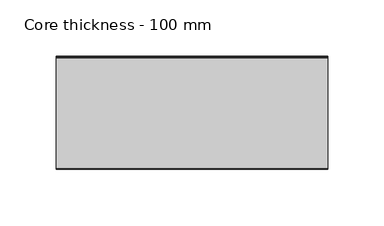
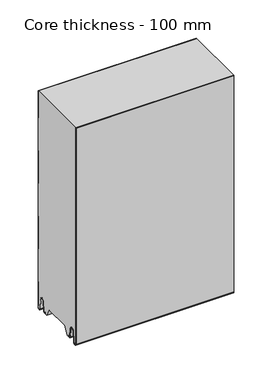
"""IFC4 building model written with IfcOpenShell, lengths in millimetres: plate geometry, Core thickness - 100 mm."""

from ifc_helpers import new_model, si_unit, frame, origin, place, context, project, spatial, polyline, circle_curve, source, transform, mapped, element, save
from ifc_brep_helpers import plane_surface, cylinder_surface, revolved_surface, advanced_brep


def core_thickness_100_mm_d643c151(model_context):
    return source(origin(), model_context, "Body", "AdvancedBrep", [
        advanced_brep(
        [(119.9999998, -99.9996949, 3.0900682), (119.9999998, -93.81449, 2.7875612), (119.9999998, -92.197116, 19.2828169), (119.9999998, -89.1776715, 21.9898782), (119.9999998, -86.1582271, 19.2828169), (119.9999998, -84.7725998, 5.1510966), (119.9999998, -80.3830995, 5.365779), (119.9999998, -81.1830995, 5.365779), (119.9999998, -83.9764178, 5.2291629), (119.9999998, -85.3620451, 19.3608832), (119.9999998, -89.1776715, 22.7899182), (119.9999998, -92.9932979, 19.3608832), (119.9999998, -94.6106719, 2.8656275), (119.9999998, -99.1996949, 3.0900682), (119.9999998, -99.2, 350.0), (119.9999998, -99.9996949, 350.0), (-119.9999998, -99.1996949, 3.0900682), (-119.9999998, -94.6106719, 2.8656275), (-119.9999998, -92.9932979, 19.3608832), (-119.9999998, -89.1776715, 22.7899182), (-119.9999998, -85.3620451, 19.3608832), (-119.9999998, -83.9764178, 5.2291629), (-119.9999998, -81.1830995, 5.365779), (-119.9999998, -80.3830995, 5.365779), (-119.9999998, -84.7725998, 5.1510966), (-119.9999998, -86.1582271, 19.2828169), (-119.9999998, -89.1776715, 21.9898782), (-119.9999998, -92.197116, 19.2828169), (-119.9999998, -93.81449, 2.7875612), (-119.9999998, -99.9996949, 3.0900682), (-119.9999998, -99.9996949, 350.0), (-119.9999998, -99.2, 350.0)],
        [
            (0, 1, circle_curve(frame((119.9999998, -96.8996949, 3.0900682), z_axis=(1.0, 0.0, 0.0), x_axis=(0.0, 0.0, -1.0)), 3.1)),
            (1, 2),
            (2, 3, circle_curve(frame((119.9999998, -89.2114338, 18.9900682), z_axis=(-1.0, 0.0, 0.0), x_axis=(0.0, 0.0, -1.0)), 3.0)),
            (3, 4, circle_curve(frame((119.9999998, -89.1439093, 18.9900682), z_axis=(-1.0, 0.0, 0.0), x_axis=(0.0, 0.0, -1.0)), 3.0)),
            (4, 5),
            (5, 6, circle_curve(frame((119.9999998, -82.5830995, 5.365779), z_axis=(1.0, 0.0, 0.0), x_axis=(0.0, 0.0, -1.0)), 2.2)),
            (6, 7),
            (7, 8, circle_curve(frame((119.9999998, -82.5830995, 5.365779), z_axis=(-1.0, 0.0, 0.0), x_axis=(0.0, 0.0, -1.0)), 1.4)),
            (8, 9),
            (9, 10, circle_curve(frame((119.9999998, -89.1439093, 18.9900682), z_axis=(1.0, 0.0, 0.0), x_axis=(0.0, 0.0, -1.0)), 3.8)),
            (10, 11, circle_curve(frame((119.9999998, -89.2114338, 18.9900682), z_axis=(1.0, 0.0, 0.0), x_axis=(0.0, 0.0, -1.0)), 3.8)),
            (11, 12),
            (12, 13, circle_curve(frame((119.9999998, -96.8996949, 3.0900682), z_axis=(-1.0, 0.0, 0.0), x_axis=(0.0, 0.0, -1.0)), 2.3)),
            (13, 14),
            (14, 15),
            (15, 0),
            (16, 17, circle_curve(frame((-119.9999998, -96.8996949, 3.0900682), z_axis=(1.0, 0.0, 0.0), x_axis=(0.0, 0.0, -1.0)), 2.3)),
            (17, 18),
            (18, 19, circle_curve(frame((-119.9999998, -89.2114338, 18.9900682), z_axis=(-1.0, 0.0, 0.0), x_axis=(0.0, 0.0, -1.0)), 3.8)),
            (19, 20, circle_curve(frame((-119.9999998, -89.1439093, 18.9900682), z_axis=(-1.0, 0.0, 0.0), x_axis=(0.0, 0.0, -1.0)), 3.8)),
            (20, 21),
            (21, 22, circle_curve(frame((-119.9999998, -82.5830995, 5.365779), z_axis=(1.0, 0.0, 0.0), x_axis=(0.0, 0.0, -1.0)), 1.4)),
            (22, 23),
            (23, 24, circle_curve(frame((-119.9999998, -82.5830995, 5.365779), z_axis=(-1.0, 0.0, 0.0), x_axis=(0.0, 0.0, -1.0)), 2.2)),
            (24, 25),
            (25, 26, circle_curve(frame((-119.9999998, -89.1439093, 18.9900682), z_axis=(1.0, 0.0, 0.0), x_axis=(0.0, 0.0, -1.0)), 3.0)),
            (26, 27, circle_curve(frame((-119.9999998, -89.2114338, 18.9900682), z_axis=(1.0, 0.0, 0.0), x_axis=(0.0, 0.0, -1.0)), 3.0)),
            (27, 28),
            (28, 29, circle_curve(frame((-119.9999998, -96.8996949, 3.0900682), z_axis=(-1.0, 0.0, 0.0), x_axis=(0.0, 0.0, -1.0)), 3.1)),
            (29, 30),
            (30, 31),
            (31, 16),
            (13, 16),
            (31, 14),
            (29, 0),
            (15, 30),
            (12, 17),
            (11, 18),
            (10, 19),
            (9, 20),
            (8, 21),
            (7, 22),
            (6, 23),
            (5, 24),
            (4, 25),
            (3, 26),
            (2, 27),
            (1, 28),
        ],
        [
            plane_surface(frame((119.9999998, -100.0, 0.0), z_axis=(1.0, 0.0, 0.0), x_axis=(0.0, 1.0, 0.0))),
            plane_surface(frame((-119.9999998, -100.0, 0.0), z_axis=(-1.0, 0.0, 0.0), x_axis=(0.0, 1.0, 0.0))),
            plane_surface(frame((119.9999998, -99.2, 3.0900682), z_axis=(0.0, 1.0, 0.0), x_axis=(-1.0, 0.0, 0.0))),
            plane_surface(frame((119.9999998, -99.9996949, 1143.9000005), z_axis=(0.0, -1.0, 0.0), x_axis=(-1.0, 0.0, 0.0))),
            revolved_surface(polyline([(-119.9999998, -96.8996949, 0.7900682000000003), (119.9999998, -96.8996949, 0.7900682000000003)]), (119.9999998, -96.8996949, 3.0900682), (-1.0, 0.0, 0.0)),
            plane_surface(frame((119.9999998, -92.9932979, 19.3608832), z_axis=(0.0, -0.9952273999818314, 0.09758289975914787), x_axis=(-1.0, 0.0, 0.0))),
            cylinder_surface(frame((119.9999998, -89.2114338, 18.9900682), z_axis=(1.0, 0.0, 0.0), x_axis=(0.0, 0.0, -1.0)), 3.8),
            cylinder_surface(frame((119.9999998, -89.1439093, 18.9900682), z_axis=(1.0, 0.0, 0.0), x_axis=(0.0, 0.0, -1.0)), 3.8),
            plane_surface(frame((119.9999998, -83.9764178, 5.2291629), z_axis=(0.0, 0.9952273999818297, 0.09758289975916531), x_axis=(-1.0, 0.0, 0.0))),
            revolved_surface(polyline([(-119.9999998, -82.5830995, 3.965779), (119.9999998, -82.5830995, 3.965779)]), (119.9999998, -82.5830995, 5.365779), (-1.0, 0.0, 0.0)),
            plane_surface(frame((119.9999998, -80.3830995, 5.365779), z_axis=(0.0, 0.0, 1.0), x_axis=(-1.0, 0.0, 0.0))),
            cylinder_surface(frame((119.9999998, -82.5830995, 5.365779), z_axis=(1.0, 0.0, 0.0), x_axis=(0.0, 0.0, -1.0)), 2.2),
            plane_surface(frame((119.9999998, -86.1582271, 19.2828169), z_axis=(0.0, -0.9952273999818296, -0.09758289975916527), x_axis=(-1.0, 0.0, 0.0))),
            revolved_surface(polyline([(-119.9999998, -89.1439093, 15.9900682), (119.9999998, -89.1439093, 15.9900682)]), (119.9999998, -89.1439093, 18.9900682), (-1.0, 0.0, 0.0)),
            revolved_surface(polyline([(-119.9999998, -89.2114338, 15.9900682), (119.9999998, -89.2114338, 15.9900682)]), (119.9999998, -89.2114338, 18.9900682), (-1.0, 0.0, 0.0)),
            plane_surface(frame((119.9999998, -93.81449, 2.7875612), z_axis=(0.0, 0.9952273999818314, -0.09758289975914787), x_axis=(-1.0, 0.0, 0.0))),
            cylinder_surface(frame((119.9999998, -96.8996949, 3.0900682), z_axis=(1.0, 0.0, 0.0), x_axis=(0.0, 0.0, -1.0)), 3.1),
            plane_surface(frame((-119.9999998, 134.0533409, 350.0), z_axis=(0.0, 0.0, 1.0), x_axis=(1.0, 0.0, 0.0))),
        ],
        [
            (0, [[1, 2, 3, 4, 5, 6, 7, 8, 9, 10, 11, 12, 13, 14, 15, 16]]),
            (1, [[17, 18, 19, 20, 21, 22, 23, 24, 25, 26, 27, 28, 29, 30, 31, 32]]),
            (2, [[33, -32, 34, -14]]),
            (3, [[35, -16, 36, -30]]),
            (4, [[-13, 37, -17, -33]]),
            (5, [[-12, 38, -18, -37]]),
            (6, [[-11, 39, -19, -38]]),
            (7, [[-10, 40, -20, -39]]),
            (8, [[-9, 41, -21, -40]]),
            (9, [[-8, 42, -22, -41]]),
            (10, [[-7, 43, -23, -42]]),
            (11, [[-6, 44, -24, -43]]),
            (12, [[-5, 45, -25, -44]]),
            (13, [[-4, 46, -26, -45]]),
            (14, [[-3, 47, -27, -46]]),
            (15, [[-2, 48, -28, -47]]),
            (16, [[-1, -35, -29, -48]]),
            (17, [[-15, -34, -31, -36]]),
        ],
    ),
        advanced_brep(
        [(119.9999998, -69.873448, 15.1417681), (119.9999998, -30.126552, 15.1417681), (119.9999998, -23.4071318, 3.165779), (119.9999998, -17.4169005, 3.165779), (119.9999998, -19.6169005, 5.365779), (119.9999998, -18.8169005, 5.365779), (119.9999998, -16.0235822, 5.2291629), (119.9999998, -14.6379549, 19.3608832), (119.9999998, -10.8223285, 22.7899182), (119.9999998, -7.0067021, 19.3608832), (119.9999998, -5.3893281, 2.8656275), (119.9999998, -1.0794848, 4.1883784), (119.9999998, -1.5003051, 5.8439114), (119.9999998, -1.5003051, 42.0511837), (119.9999998, -1.0971009, 43.4705951), (119.9999998, -0.8, 44.5229805), (119.9999998, -0.8, 94.6827637), (119.9999998, -1.0986697, 95.7341795), (119.9999998, -1.5003051, 97.1545605), (119.9999998, -1.5003051, 147.3143437), (119.9999998, -1.0971009, 148.7337551), (119.9999998, -0.8, 149.7861405), (119.9999998, -0.8, 199.9459237), (119.9999998, -1.0986697, 200.9973395), (119.9999998, -1.5003051, 202.4177205), (119.9999998, -1.5003051, 252.5775037), (119.9999998, -1.0971009, 253.9969151), (119.9999998, -0.8, 255.0493005), (119.9999998, -0.8, 305.2090837), (119.9999998, -1.0986697, 306.2604995), (119.9999998, -1.5003051, 307.6808805), (119.9999998, -1.5003051, 350.0), (119.9999998, -99.2, 350.0), (119.9999998, -99.2, 3.0900682), (119.9999998, -94.6106719, 2.8656275), (119.9999998, -92.9932979, 19.3608832), (119.9999998, -89.1776715, 22.7899182), (119.9999998, -85.3620451, 19.3608832), (119.9999998, -83.9764178, 5.2291629), (119.9999998, -81.1830995, 5.365779), (119.9999998, -80.3830995, 5.365779), (119.9999998, -82.5830995, 3.165779), (119.9999998, -76.5928682, 3.165779), (-119.9999998, -30.126552, 15.1417681), (-119.9999998, -69.873448, 15.1417681), (-119.9999998, -76.5928682, 3.165779), (-119.9999998, -82.5830995, 3.165779), (-119.9999998, -80.3830995, 5.365779), (-119.9999998, -81.1830995, 5.365779), (-119.9999998, -83.9764178, 5.2291629), (-119.9999998, -85.3620451, 19.3608832), (-119.9999998, -89.1776715, 22.7899182), (-119.9999998, -92.9932979, 19.3608832), (-119.9999998, -94.6106719, 2.8656275), (-119.9999998, -99.1996949, 3.0900682), (-119.9999998, -99.2, 350.0), (-119.9999998, -1.5003051, 350.0), (-119.9999998, -1.5003051, 307.6808805), (-119.9999998, -1.0971009, 306.2614691), (-119.9999998, -0.8, 305.2090837), (-119.9999998, -0.8, 255.0493005), (-119.9999998, -1.0986697, 253.9978846), (-119.9999998, -1.5003051, 252.5775037), (-119.9999998, -1.5003051, 202.4177205), (-119.9999998, -1.0971009, 200.9983091), (-119.9999998, -0.8, 199.9459237), (-119.9999998, -0.8, 149.7861405), (-119.9999998, -1.0986697, 148.7347246), (-119.9999998, -1.5003051, 147.3143437), (-119.9999998, -1.5003051, 97.1545605), (-119.9999998, -1.0971009, 95.7351491), (-119.9999998, -0.8, 94.6827637), (-119.9999998, -0.8, 44.5229805), (-119.9999998, -1.0986697, 43.4715646), (-119.9999998, -1.5003051, 42.0511837), (-119.9999998, -1.5003051, 5.8439114), (-119.9999998, -1.0794848, 4.1883784), (-119.9999998, -5.3893281, 2.8656275), (-119.9999998, -7.0067021, 19.3608832), (-119.9999998, -10.8223285, 22.7899182), (-119.9999998, -14.6379549, 19.3608832), (-119.9999998, -16.0235822, 5.2291629), (-119.9999998, -18.8169005, 5.365779), (-119.9999998, -19.6169005, 5.365779), (-119.9999998, -17.4169005, 3.165779), (-119.9999998, -23.4071318, 3.165779)],
        [
            (0, 1),
            (1, 2),
            (2, 3),
            (3, 4, circle_curve(frame((119.9999998, -17.4169005, 5.365779), z_axis=(-1.0, 0.0, 0.0), x_axis=(0.0, 0.0, -1.0)), 2.2)),
            (4, 5),
            (5, 6, circle_curve(frame((119.9999998, -17.4169005, 5.365779), z_axis=(1.0, 0.0, 0.0), x_axis=(0.0, 0.0, -1.0)), 1.4)),
            (6, 7),
            (7, 8, circle_curve(frame((119.9999998, -10.8560907, 18.9900682), z_axis=(-1.0, 0.0, 0.0), x_axis=(0.0, 0.0, -1.0)), 3.8)),
            (8, 9, circle_curve(frame((119.9999998, -10.7885662, 18.9900682), z_axis=(-1.0, 0.0, 0.0), x_axis=(0.0, 0.0, -1.0)), 3.8)),
            (9, 10),
            (10, 11, circle_curve(frame((119.9999998, -3.1003051, 3.0900682), z_axis=(1.0, 0.0, 0.0), x_axis=(0.0, 0.0, -1.0)), 2.3)),
            (11, 12, circle_curve(frame((119.9999998, 1.9665895, 5.8439114), z_axis=(-1.0, 0.0, 0.0), x_axis=(0.0, 0.0, -1.0)), 3.4668946)),
            (12, 13),
            (13, 14, circle_curve(frame((119.9999998, 1.1996949, 42.0511837), z_axis=(-1.0, 0.0, 0.0), x_axis=(0.0, 0.0, -1.0)), 2.7)),
            (14, 15, circle_curve(frame((119.9999998, -2.8, 44.5229805), z_axis=(1.0, 0.0, 0.0), x_axis=(0.0, 0.0, -1.0)), 2.0)),
            (15, 16),
            (16, 17, circle_curve(frame((119.9999998, -2.8, 94.6827637), z_axis=(1.0, 0.0, 0.0), x_axis=(0.0, 0.0, -1.0)), 2.0)),
            (17, 18, circle_curve(frame((119.9999998, 1.1996949, 97.1545605), z_axis=(-1.0, 0.0, 0.0), x_axis=(0.0, 0.0, -1.0)), 2.7)),
            (18, 19),
            (19, 20, circle_curve(frame((119.9999998, 1.1996949, 147.3143437), z_axis=(-1.0, 0.0, 0.0), x_axis=(0.0, 0.0, -1.0)), 2.7)),
            (20, 21, circle_curve(frame((119.9999998, -2.8, 149.7861405), z_axis=(1.0, 0.0, 0.0), x_axis=(0.0, 0.0, -1.0)), 2.0)),
            (21, 22),
            (22, 23, circle_curve(frame((119.9999998, -2.8, 199.9459237), z_axis=(1.0, 0.0, 0.0), x_axis=(0.0, 0.0, -1.0)), 2.0)),
            (23, 24, circle_curve(frame((119.9999998, 1.1996949, 202.4177205), z_axis=(-1.0, 0.0, 0.0), x_axis=(0.0, 0.0, -1.0)), 2.7)),
            (24, 25),
            (25, 26, circle_curve(frame((119.9999998, 1.1996949, 252.5775037), z_axis=(-1.0, 0.0, 0.0), x_axis=(0.0, 0.0, -1.0)), 2.7)),
            (26, 27, circle_curve(frame((119.9999998, -2.8, 255.0493005), z_axis=(1.0, 0.0, 0.0), x_axis=(0.0, 0.0, -1.0)), 2.0)),
            (27, 28),
            (28, 29, circle_curve(frame((119.9999998, -2.8, 305.2090837), z_axis=(1.0, 0.0, 0.0), x_axis=(0.0, 0.0, -1.0)), 2.0)),
            (29, 30, circle_curve(frame((119.9999998, 1.1996949, 307.6808805), z_axis=(-1.0, 0.0, 0.0), x_axis=(0.0, 0.0, -1.0)), 2.7)),
            (30, 31),
            (31, 32),
            (32, 33),
            (33, 34, circle_curve(frame((119.9999998, -96.8996949, 3.0900682), z_axis=(1.0, 0.0, 0.0), x_axis=(0.0, 0.0, -1.0)), 2.3)),
            (34, 35),
            (35, 36, circle_curve(frame((119.9999998, -89.2114338, 18.9900682), z_axis=(-1.0, 0.0, 0.0), x_axis=(0.0, 0.0, -1.0)), 3.8)),
            (36, 37, circle_curve(frame((119.9999998, -89.1439093, 18.9900682), z_axis=(-1.0, 0.0, 0.0), x_axis=(0.0, 0.0, -1.0)), 3.8)),
            (37, 38),
            (38, 39, circle_curve(frame((119.9999998, -82.5830995, 5.365779), z_axis=(1.0, 0.0, 0.0), x_axis=(0.0, 0.0, -1.0)), 1.4)),
            (39, 40),
            (40, 41, circle_curve(frame((119.9999998, -82.5830995, 5.365779), z_axis=(-1.0, 0.0, 0.0), x_axis=(0.0, 0.0, -1.0)), 2.2)),
            (41, 42),
            (42, 0),
            (43, 44),
            (44, 45),
            (45, 46),
            (46, 47, circle_curve(frame((-119.9999998, -82.5830995, 5.365779), z_axis=(1.0, 0.0, 0.0), x_axis=(0.0, 0.0, -1.0)), 2.2)),
            (47, 48),
            (48, 49, circle_curve(frame((-119.9999998, -82.5830995, 5.365779), z_axis=(-1.0, 0.0, 0.0), x_axis=(0.0, 0.0, -1.0)), 1.4)),
            (49, 50),
            (50, 51, circle_curve(frame((-119.9999998, -89.1439093, 18.9900682), z_axis=(1.0, 0.0, 0.0), x_axis=(0.0, 0.0, -1.0)), 3.8)),
            (51, 52, circle_curve(frame((-119.9999998, -89.2114338, 18.9900682), z_axis=(1.0, 0.0, 0.0), x_axis=(0.0, 0.0, -1.0)), 3.8)),
            (52, 53),
            (53, 54, circle_curve(frame((-119.9999998, -96.8996949, 3.0900682), z_axis=(-1.0, 0.0, 0.0), x_axis=(0.0, 0.0, -1.0)), 2.3)),
            (54, 55),
            (55, 56),
            (56, 57),
            (57, 58, circle_curve(frame((-119.9999998, 1.1996949, 307.6808805), z_axis=(1.0, 0.0, 0.0), x_axis=(0.0, 0.0, -1.0)), 2.7)),
            (58, 59, circle_curve(frame((-119.9999998, -2.8, 305.2090837), z_axis=(-1.0, 0.0, 0.0), x_axis=(0.0, 0.0, -1.0)), 2.0)),
            (59, 60),
            (60, 61, circle_curve(frame((-119.9999998, -2.8, 255.0493005), z_axis=(-1.0, 0.0, 0.0), x_axis=(0.0, 0.0, -1.0)), 2.0)),
            (61, 62, circle_curve(frame((-119.9999998, 1.1996949, 252.5775037), z_axis=(1.0, 0.0, 0.0), x_axis=(0.0, 0.0, -1.0)), 2.7)),
            (62, 63),
            (63, 64, circle_curve(frame((-119.9999998, 1.1996949, 202.4177205), z_axis=(1.0, 0.0, 0.0), x_axis=(0.0, 0.0, -1.0)), 2.7)),
            (64, 65, circle_curve(frame((-119.9999998, -2.8, 199.9459237), z_axis=(-1.0, 0.0, 0.0), x_axis=(0.0, 0.0, -1.0)), 2.0)),
            (65, 66),
            (66, 67, circle_curve(frame((-119.9999998, -2.8, 149.7861405), z_axis=(-1.0, 0.0, 0.0), x_axis=(0.0, 0.0, -1.0)), 2.0)),
            (67, 68, circle_curve(frame((-119.9999998, 1.1996949, 147.3143437), z_axis=(1.0, 0.0, 0.0), x_axis=(0.0, 0.0, -1.0)), 2.7)),
            (68, 69),
            (69, 70, circle_curve(frame((-119.9999998, 1.1996949, 97.1545605), z_axis=(1.0, 0.0, 0.0), x_axis=(0.0, 0.0, -1.0)), 2.7)),
            (70, 71, circle_curve(frame((-119.9999998, -2.8, 94.6827637), z_axis=(-1.0, 0.0, 0.0), x_axis=(0.0, 0.0, -1.0)), 2.0)),
            (71, 72),
            (72, 73, circle_curve(frame((-119.9999998, -2.8, 44.5229805), z_axis=(-1.0, 0.0, 0.0), x_axis=(0.0, 0.0, -1.0)), 2.0)),
            (73, 74, circle_curve(frame((-119.9999998, 1.1996949, 42.0511837), z_axis=(1.0, 0.0, 0.0), x_axis=(0.0, 0.0, -1.0)), 2.7)),
            (74, 75),
            (75, 76, circle_curve(frame((-119.9999998, 1.9665895, 5.8439114), z_axis=(1.0, 0.0, 0.0), x_axis=(0.0, 0.0, -1.0)), 3.4668946)),
            (76, 77, circle_curve(frame((-119.9999998, -3.1003051, 3.0900682), z_axis=(-1.0, 0.0, 0.0), x_axis=(0.0, 0.0, -1.0)), 2.3)),
            (77, 78),
            (78, 79, circle_curve(frame((-119.9999998, -10.7885662, 18.9900682), z_axis=(1.0, 0.0, 0.0), x_axis=(0.0, 0.0, -1.0)), 3.8)),
            (79, 80, circle_curve(frame((-119.9999998, -10.8560907, 18.9900682), z_axis=(1.0, 0.0, 0.0), x_axis=(0.0, 0.0, -1.0)), 3.8)),
            (80, 81),
            (81, 82, circle_curve(frame((-119.9999998, -17.4169005, 5.365779), z_axis=(-1.0, 0.0, 0.0), x_axis=(0.0, 0.0, -1.0)), 1.4)),
            (82, 83),
            (83, 84, circle_curve(frame((-119.9999998, -17.4169005, 5.365779), z_axis=(1.0, 0.0, 0.0), x_axis=(0.0, 0.0, -1.0)), 2.2)),
            (84, 85),
            (85, 43),
            (1, 43),
            (85, 2),
            (0, 44),
            (42, 45),
            (64, 23),
            (22, 65),
            (63, 24),
            (62, 25),
            (61, 26),
            (60, 27),
            (59, 28),
            (58, 29),
            (57, 30),
            (56, 31),
            (54, 33),
            (32, 55),
            (84, 3),
            (41, 46),
            (83, 4),
            (82, 5),
            (81, 6),
            (80, 7),
            (79, 8),
            (78, 9),
            (77, 10),
            (76, 11),
            (75, 12),
            (74, 13),
            (73, 14),
            (72, 15),
            (71, 16),
            (70, 17),
            (69, 18),
            (68, 19),
            (67, 20),
            (66, 21),
            (53, 34),
            (52, 35),
            (51, 36),
            (50, 37),
            (49, 38),
            (48, 39),
            (47, 40),
        ],
        [
            plane_surface(frame((119.9999998, 0.0, 0.0), z_axis=(1.0, 0.0, 0.0), x_axis=(0.0, -1.0, 0.0))),
            plane_surface(frame((-119.9999998, 0.0, 0.0), z_axis=(-1.0, 0.0, 0.0), x_axis=(0.0, -1.0, 0.0))),
            plane_surface(frame((119.9999998, -30.126552, 15.1417681), z_axis=(0.0, -0.8721062992196836, -0.4893164649399687), x_axis=(-1.0, 0.0, 0.0))),
            plane_surface(frame((119.9999998, -69.873448, 15.1417681), z_axis=(0.0, 0.0, -1.0), x_axis=(-1.0, 0.0, 0.0))),
            plane_surface(frame((119.9999998, -76.8190247, 2.7627014), z_axis=(0.0, 0.8721062992196852, -0.48931646493996606), x_axis=(-1.0, 0.0, 0.0))),
            cylinder_surface(frame((249.9999998, -2.8, 199.9459237), z_axis=(-1.0, 0.0, 0.0), x_axis=(0.0, 0.0, -1.0)), 2.0),
            revolved_surface(polyline([(119.99999980000001, 1.1996949, 199.7177205), (-119.99999980000001, 1.1996949, 199.7177205)]), (249.9999998, 1.1996949, 202.4177205), (1.0, 0.0, 0.0)),
            plane_surface(frame((249.9999998, -1.5003051, 252.5775037), z_axis=(0.0, 1.0, 0.0), x_axis=(-1.0, 0.0, 0.0))),
            revolved_surface(polyline([(119.99999980000001, 1.1996949, 249.8775037), (-119.99999980000001, 1.1996949, 249.8775037)]), (249.9999998, 1.1996949, 252.5775037), (1.0, 0.0, 0.0)),
            cylinder_surface(frame((249.9999998, -2.8, 255.0493005), z_axis=(-1.0, 0.0, 0.0), x_axis=(0.0, 0.0, -1.0)), 2.0),
            plane_surface(frame((249.9999998, -0.8, 305.2090837), z_axis=(0.0, 1.0, 0.0), x_axis=(-1.0, 0.0, 0.0))),
            cylinder_surface(frame((249.9999998, -2.8, 305.2090837), z_axis=(-1.0, 0.0, 0.0), x_axis=(0.0, 0.0, -1.0)), 2.0),
            revolved_surface(polyline([(119.99999980000001, 1.1996949, 304.9808805), (-119.99999980000001, 1.1996949, 304.9808805)]), (249.9999998, 1.1996949, 307.6808805), (1.0, 0.0, 0.0)),
            plane_surface(frame((249.9999998, -1.5003051, 357.8406637), z_axis=(0.0, 1.0, 0.0), x_axis=(-1.0, 0.0, 0.0))),
            plane_surface(frame((249.9999998, -99.2, 3.0900682), z_axis=(0.0, -1.0, 0.0), x_axis=(-1.0, 0.0, 0.0))),
            plane_surface(frame((-119.9999998, -82.5830995, 3.165779), z_axis=(0.0, 0.0, -1.0), x_axis=(1.0, 0.0, 0.0))),
            revolved_surface(polyline([(119.99999980000001, -17.4169005, 3.1657789999999997), (-119.99999980000001, -17.4169005, 3.1657789999999997)]), (249.9999998, -17.4169005, 5.365779), (1.0, 0.0, 0.0)),
            plane_surface(frame((249.9999998, -18.8169005, 5.365779), z_axis=(0.0, 0.0, -1.0), x_axis=(-1.0, 0.0, 0.0))),
            cylinder_surface(frame((249.9999998, -17.4169005, 5.365779), z_axis=(-1.0, 0.0, 0.0), x_axis=(0.0, 0.0, -1.0)), 1.4),
            plane_surface(frame((249.9999998, -14.6379549, 19.3608832), z_axis=(0.0, 0.9952273999818297, -0.09758289975916531), x_axis=(-1.0, 0.0, 0.0))),
            revolved_surface(polyline([(119.99999980000001, -10.8560907, 15.190068199999999), (-119.99999980000001, -10.8560907, 15.190068199999999)]), (249.9999998, -10.8560907, 18.9900682), (1.0, 0.0, 0.0)),
            revolved_surface(polyline([(119.99999980000001, -10.7885662, 15.190068199999999), (-119.99999980000001, -10.7885662, 15.190068199999999)]), (249.9999998, -10.7885662, 18.9900682), (1.0, 0.0, 0.0)),
            plane_surface(frame((249.9999998, -5.3893281, 2.8656275), z_axis=(0.0, -0.9952273999818314, -0.09758289975914787), x_axis=(-1.0, 0.0, 0.0))),
            cylinder_surface(frame((249.9999998, -3.1003051, 3.0900682), z_axis=(-1.0, 0.0, 0.0), x_axis=(0.0, 0.0, -1.0)), 2.3),
            revolved_surface(polyline([(119.99999980000001, 1.9665895, 2.3770168), (-119.99999980000001, 1.9665895, 2.3770168)]), (249.9999998, 1.9665895, 5.8439114), (1.0, 0.0, 0.0)),
            plane_surface(frame((249.9999998, -1.5003051, 42.0511837), z_axis=(0.0, 1.0, 0.0), x_axis=(-1.0, 0.0, 0.0))),
            revolved_surface(polyline([(119.99999980000001, 1.1996949, 39.3511837), (-119.99999980000001, 1.1996949, 39.3511837)]), (249.9999998, 1.1996949, 42.0511837), (1.0, 0.0, 0.0)),
            cylinder_surface(frame((249.9999998, -2.8, 44.5229805), z_axis=(-1.0, 0.0, 0.0), x_axis=(0.0, 0.0, -1.0)), 2.0),
            plane_surface(frame((249.9999998, -0.8, 94.6827637), z_axis=(0.0, 1.0, 0.0), x_axis=(-1.0, 0.0, 0.0))),
            cylinder_surface(frame((249.9999998, -2.8, 94.6827637), z_axis=(-1.0, 0.0, 0.0), x_axis=(0.0, 0.0, -1.0)), 2.0),
            revolved_surface(polyline([(119.99999980000001, 1.1996949, 94.4545605), (-119.99999980000001, 1.1996949, 94.4545605)]), (249.9999998, 1.1996949, 97.1545605), (1.0, 0.0, 0.0)),
            plane_surface(frame((249.9999998, -1.5003051, 147.3143437), z_axis=(0.0, 1.0, 0.0), x_axis=(-1.0, 0.0, 0.0))),
            revolved_surface(polyline([(119.99999980000001, 1.1996949, 144.6143437), (-119.99999980000001, 1.1996949, 144.6143437)]), (249.9999998, 1.1996949, 147.3143437), (1.0, 0.0, 0.0)),
            cylinder_surface(frame((249.9999998, -2.8, 149.7861405), z_axis=(-1.0, 0.0, 0.0), x_axis=(0.0, 0.0, -1.0)), 2.0),
            plane_surface(frame((249.9999998, -0.8, 199.9459237), z_axis=(0.0, 1.0, 0.0), x_axis=(-1.0, 0.0, 0.0))),
            cylinder_surface(frame((249.9999998, -96.8996949, 3.0900682), z_axis=(-1.0, 0.0, 0.0), x_axis=(0.0, 0.0, -1.0)), 2.3),
            plane_surface(frame((249.9999998, -92.9932979, 19.3608832), z_axis=(0.0, 0.9952273999818314, -0.09758289975914787), x_axis=(-1.0, 0.0, 0.0))),
            revolved_surface(polyline([(119.99999980000001, -89.2114338, 15.190068199999999), (-119.99999980000001, -89.2114338, 15.190068199999999)]), (249.9999998, -89.2114338, 18.9900682), (1.0, 0.0, 0.0)),
            revolved_surface(polyline([(119.99999980000001, -89.1439093, 15.190068199999999), (-119.99999980000001, -89.1439093, 15.190068199999999)]), (249.9999998, -89.1439093, 18.9900682), (1.0, 0.0, 0.0)),
            plane_surface(frame((249.9999998, -83.9764178, 5.2291629), z_axis=(0.0, -0.9952273999818297, -0.09758289975916531), x_axis=(-1.0, 0.0, 0.0))),
            cylinder_surface(frame((249.9999998, -82.5830995, 5.365779), z_axis=(-1.0, 0.0, 0.0), x_axis=(0.0, 0.0, -1.0)), 1.4),
            plane_surface(frame((249.9999998, -80.3830995, 5.365779), z_axis=(0.0, 0.0, -1.0), x_axis=(-1.0, 0.0, 0.0))),
            revolved_surface(polyline([(119.99999980000001, -82.5830995, 3.1657789999999997), (-119.99999980000001, -82.5830995, 3.1657789999999997)]), (249.9999998, -82.5830995, 5.365779), (1.0, 0.0, 0.0)),
            plane_surface(frame((-119.9999998, 134.0533409, 350.0), z_axis=(0.0, 0.0, 1.0), x_axis=(1.0, 0.0, 0.0))),
        ],
        [
            (0, [[1, 2, 3, 4, 5, 6, 7, 8, 9, 10, 11, 12, 13, 14, 15, 16, 17, 18, 19, 20, 21, 22, 23, 24, 25, 26, 27, 28, 29, 30, 31, 32, 33, 34, 35, 36, 37, 38, 39, 40, 41, 42, 43]]),
            (1, [[44, 45, 46, 47, 48, 49, 50, 51, 52, 53, 54, 55, 56, 57, 58, 59, 60, 61, 62, 63, 64, 65, 66, 67, 68, 69, 70, 71, 72, 73, 74, 75, 76, 77, 78, 79, 80, 81, 82, 83, 84, 85, 86]]),
            (2, [[87, -86, 88, -2]]),
            (3, [[-1, 89, -44, -87]]),
            (4, [[-89, -43, 90, -45]]),
            (5, [[91, -23, 92, -65]]),
            (6, [[-91, -64, 93, -24]]),
            (7, [[-93, -63, 94, -25]]),
            (8, [[-94, -62, 95, -26]]),
            (9, [[-95, -61, 96, -27]]),
            (10, [[-96, -60, 97, -28]]),
            (11, [[-97, -59, 98, -29]]),
            (12, [[-98, -58, 99, -30]]),
            (13, [[-99, -57, 100, -31]]),
            (14, [[101, -33, 102, -55]]),
            (15, [[-3, -88, -85, 103]]),
            (15, [[-42, 104, -46, -90]]),
            (16, [[105, -4, -103, -84]]),
            (17, [[-105, -83, 106, -5]]),
            (18, [[-106, -82, 107, -6]]),
            (19, [[-107, -81, 108, -7]]),
            (20, [[-108, -80, 109, -8]]),
            (21, [[-109, -79, 110, -9]]),
            (22, [[-110, -78, 111, -10]]),
            (23, [[-111, -77, 112, -11]]),
            (24, [[-112, -76, 113, -12]]),
            (25, [[-113, -75, 114, -13]]),
            (26, [[-114, -74, 115, -14]]),
            (27, [[-115, -73, 116, -15]]),
            (28, [[-116, -72, 117, -16]]),
            (29, [[-117, -71, 118, -17]]),
            (30, [[-118, -70, 119, -18]]),
            (31, [[-119, -69, 120, -19]]),
            (32, [[-120, -68, 121, -20]]),
            (33, [[-121, -67, 122, -21]]),
            (34, [[-122, -66, -92, -22]]),
            (35, [[-101, -54, 123, -34]]),
            (36, [[-123, -53, 124, -35]]),
            (37, [[-124, -52, 125, -36]]),
            (38, [[-125, -51, 126, -37]]),
            (39, [[-126, -50, 127, -38]]),
            (40, [[-127, -49, 128, -39]]),
            (41, [[-128, -48, 129, -40]]),
            (42, [[-129, -47, -104, -41]]),
            (43, [[-100, -56, -102, -32]]),
        ],
    ),
        advanced_brep(
        [(-119.9999998, -0.7003051, 307.6808805), (-119.9999998, -0.4016712, 306.6295226), (-119.9999998, -0.0003051, 305.2090837), (-119.9999998, -0.0003051, 255.0493005), (-119.9999998, -0.4034608, 253.6299674), (-119.9999998, -0.7003051, 252.5775037), (-119.9999998, -0.7003051, 202.4177205), (-119.9999998, -0.4016712, 201.3663626), (-119.9999998, -0.0003051, 199.9459237), (-119.9999998, -0.0003051, 149.7861405), (-119.9999998, -0.4034608, 148.3668074), (-119.9999998, -0.7003051, 147.3143437), (-119.9999998, -0.7003051, 97.1545605), (-119.9999998, -0.4016712, 96.1032026), (-119.9999998, -0.0003051, 94.6827637), (-119.9999998, -0.0003051, 44.5229805), (-119.9999998, -0.4034608, 43.1036474), (-119.9999998, -0.7003051, 42.0511837), (-119.9999998, -0.7003051, 6.8391397), (-119.9999998, -0.2091664, 4.208691), (-119.9999998, -6.18551, 2.7875612), (-119.9999998, -7.802884, 19.2828169), (-119.9999998, -10.8223285, 21.9898782), (-119.9999998, -13.8417729, 19.2828169), (-119.9999998, -15.2274002, 5.1510966), (-119.9999998, -19.6169005, 5.365779), (-119.9999998, -18.8169005, 5.365779), (-119.9999998, -16.0235822, 5.2291629), (-119.9999998, -14.6379549, 19.3608832), (-119.9999998, -10.8223285, 22.7899182), (-119.9999998, -7.0067021, 19.3608832), (-119.9999998, -5.3893281, 2.8656275), (-119.9999998, -1.0794848, 4.1883784), (-119.9999998, -1.5003051, 5.8439114), (-119.9999998, -1.5003051, 42.0511837), (-119.9999998, -1.0971009, 43.4705951), (-119.9999998, -0.8, 44.5229805), (-119.9999998, -0.8, 94.6827637), (-119.9999998, -1.0986697, 95.7341795), (-119.9999998, -1.5003051, 97.1545605), (-119.9999998, -1.5003051, 147.3143437), (-119.9999998, -1.0971009, 148.7337551), (-119.9999998, -0.8, 149.7861405), (-119.9999998, -0.8, 199.9459237), (-119.9999998, -1.0986697, 200.9973395), (-119.9999998, -1.5003051, 202.4177205), (-119.9999998, -1.5003051, 252.5775037), (-119.9999998, -1.0971009, 253.9969151), (-119.9999998, -0.8, 255.0493005), (-119.9999998, -0.8, 305.2090837), (-119.9999998, -1.0986697, 306.2604995), (-119.9999998, -1.5003051, 307.6808805), (-119.9999998, -1.5003051, 350.0), (-119.9999998, -0.7003051, 350.0), (119.9999998, -1.5003051, 307.6808805), (119.9999998, -1.0971009, 306.2614691), (119.9999998, -0.8, 305.2090837), (119.9999998, -0.8, 255.0493005), (119.9999998, -1.0986697, 253.9978846), (119.9999998, -1.5003051, 252.5775037), (119.9999998, -1.5003051, 202.4177205), (119.9999998, -1.0971009, 200.9983091), (119.9999998, -0.8, 199.9459237), (119.9999998, -0.8, 149.7861405), (119.9999998, -1.0986697, 148.7347246), (119.9999998, -1.5003051, 147.3143437), (119.9999998, -1.5003051, 97.1545605), (119.9999998, -1.0971009, 95.7351491), (119.9999998, -0.8, 94.6827637), (119.9999998, -0.8, 44.5229805), (119.9999998, -1.0986697, 43.4715646), (119.9999998, -1.5003051, 42.0511837), (119.9999998, -1.5003051, 5.8439114), (119.9999998, -1.0794848, 4.1883784), (119.9999998, -5.3893281, 2.8656275), (119.9999998, -7.0067021, 19.3608832), (119.9999998, -10.8223285, 22.7899182), (119.9999998, -14.6379549, 19.3608832), (119.9999998, -16.0235822, 5.2291629), (119.9999998, -18.8169005, 5.365779), (119.9999998, -19.6169005, 5.365779), (119.9999998, -15.2274002, 5.1510966), (119.9999998, -13.8417729, 19.2828169), (119.9999998, -10.8223285, 21.9898782), (119.9999998, -7.802884, 19.2828169), (119.9999998, -6.18551, 2.7875612), (119.9999998, -0.2091664, 4.208691), (119.9999998, -0.7003051, 6.8391397), (119.9999998, -0.7003051, 42.0511837), (119.9999998, -0.4016712, 43.1025415), (119.9999998, -0.0003051, 44.5229805), (119.9999998, -0.0003051, 94.6827637), (119.9999998, -0.4034608, 96.1020968), (119.9999998, -0.7003051, 97.1545605), (119.9999998, -0.7003051, 147.3143437), (119.9999998, -0.4016712, 148.3657015), (119.9999998, -0.0003051, 149.7861405), (119.9999998, -0.0003051, 199.9459237), (119.9999998, -0.4034608, 201.3652568), (119.9999998, -0.7003051, 202.4177205), (119.9999998, -0.7003051, 252.5775037), (119.9999998, -0.4016712, 253.6288615), (119.9999998, -0.0003051, 255.0493005), (119.9999998, -0.0003051, 305.2090837), (119.9999998, -0.4034608, 306.6284168), (119.9999998, -0.7003051, 307.6808805), (119.9999998, -0.7003051, 350.0), (119.9999998, -1.5003051, 350.0)],
        [
            (0, 1, circle_curve(frame((-119.9999998, 1.2996949, 307.6808805), z_axis=(1.0, 0.0, 0.0), x_axis=(0.0, 0.0, -1.0)), 2.0)),
            (1, 2, circle_curve(frame((-119.9999998, -2.7003051, 305.2090837), z_axis=(-1.0, 0.0, 0.0), x_axis=(0.0, 0.0, -1.0)), 2.7)),
            (2, 3),
            (3, 4, circle_curve(frame((-119.9999998, -2.7003051, 255.0493005), z_axis=(-1.0, 0.0, 0.0), x_axis=(0.0, 0.0, -1.0)), 2.7)),
            (4, 5, circle_curve(frame((-119.9999998, 1.2996949, 252.5775037), z_axis=(1.0, 0.0, 0.0), x_axis=(0.0, 0.0, -1.0)), 2.0)),
            (5, 6),
            (6, 7, circle_curve(frame((-119.9999998, 1.2996949, 202.4177205), z_axis=(1.0, 0.0, 0.0), x_axis=(0.0, 0.0, -1.0)), 2.0)),
            (7, 8, circle_curve(frame((-119.9999998, -2.7003051, 199.9459237), z_axis=(-1.0, 0.0, 0.0), x_axis=(0.0, 0.0, -1.0)), 2.7)),
            (8, 9),
            (9, 10, circle_curve(frame((-119.9999998, -2.7003051, 149.7861405), z_axis=(-1.0, 0.0, 0.0), x_axis=(0.0, 0.0, -1.0)), 2.7)),
            (10, 11, circle_curve(frame((-119.9999998, 1.2996949, 147.3143437), z_axis=(1.0, 0.0, 0.0), x_axis=(0.0, 0.0, -1.0)), 2.0)),
            (11, 12),
            (12, 13, circle_curve(frame((-119.9999998, 1.2996949, 97.1545605), z_axis=(1.0, 0.0, 0.0), x_axis=(0.0, 0.0, -1.0)), 2.0)),
            (13, 14, circle_curve(frame((-119.9999998, -2.7003051, 94.6827637), z_axis=(-1.0, 0.0, 0.0), x_axis=(0.0, 0.0, -1.0)), 2.7)),
            (14, 15),
            (15, 16, circle_curve(frame((-119.9999998, -2.7003051, 44.5229805), z_axis=(-1.0, 0.0, 0.0), x_axis=(0.0, 0.0, -1.0)), 2.7)),
            (16, 17, circle_curve(frame((-119.9999998, 1.2996949, 42.0511837), z_axis=(1.0, 0.0, 0.0), x_axis=(0.0, 0.0, -1.0)), 2.0)),
            (17, 18),
            (18, 19, circle_curve(frame((-119.9999998, 6.5893647, 6.8391397), z_axis=(1.0, 0.0, 0.0), x_axis=(0.0, 0.0, -1.0)), 7.2896698)),
            (19, 20, circle_curve(frame((-119.9999998, -3.1003051, 3.0900682), z_axis=(-1.0, 0.0, 0.0), x_axis=(0.0, 0.0, -1.0)), 3.1)),
            (20, 21),
            (21, 22, circle_curve(frame((-119.9999998, -10.7885662, 18.9900682), z_axis=(1.0, 0.0, 0.0), x_axis=(0.0, 0.0, -1.0)), 3.0)),
            (22, 23, circle_curve(frame((-119.9999998, -10.8560907, 18.9900682), z_axis=(1.0, 0.0, 0.0), x_axis=(0.0, 0.0, -1.0)), 3.0)),
            (23, 24),
            (24, 25, circle_curve(frame((-119.9999998, -17.4169005, 5.365779), z_axis=(-1.0, 0.0, 0.0), x_axis=(0.0, 0.0, -1.0)), 2.2)),
            (25, 26),
            (26, 27, circle_curve(frame((-119.9999998, -17.4169005, 5.365779), z_axis=(1.0, 0.0, 0.0), x_axis=(0.0, 0.0, -1.0)), 1.4)),
            (27, 28),
            (28, 29, circle_curve(frame((-119.9999998, -10.8560907, 18.9900682), z_axis=(-1.0, 0.0, 0.0), x_axis=(0.0, 0.0, -1.0)), 3.8)),
            (29, 30, circle_curve(frame((-119.9999998, -10.7885662, 18.9900682), z_axis=(-1.0, 0.0, 0.0), x_axis=(0.0, 0.0, -1.0)), 3.8)),
            (30, 31),
            (31, 32, circle_curve(frame((-119.9999998, -3.1003051, 3.0900682), z_axis=(1.0, 0.0, 0.0), x_axis=(0.0, 0.0, -1.0)), 2.3)),
            (32, 33, circle_curve(frame((-119.9999998, 1.9665895, 5.8439114), z_axis=(-1.0, 0.0, 0.0), x_axis=(0.0, 0.0, -1.0)), 3.4668946)),
            (33, 34),
            (34, 35, circle_curve(frame((-119.9999998, 1.1996949, 42.0511837), z_axis=(-1.0, 0.0, 0.0), x_axis=(0.0, 0.0, -1.0)), 2.7)),
            (35, 36, circle_curve(frame((-119.9999998, -2.8, 44.5229805), z_axis=(1.0, 0.0, 0.0), x_axis=(0.0, 0.0, -1.0)), 2.0)),
            (36, 37),
            (37, 38, circle_curve(frame((-119.9999998, -2.8, 94.6827637), z_axis=(1.0, 0.0, 0.0), x_axis=(0.0, 0.0, -1.0)), 2.0)),
            (38, 39, circle_curve(frame((-119.9999998, 1.1996949, 97.1545605), z_axis=(-1.0, 0.0, 0.0), x_axis=(0.0, 0.0, -1.0)), 2.7)),
            (39, 40),
            (40, 41, circle_curve(frame((-119.9999998, 1.1996949, 147.3143437), z_axis=(-1.0, 0.0, 0.0), x_axis=(0.0, 0.0, -1.0)), 2.7)),
            (41, 42, circle_curve(frame((-119.9999998, -2.8, 149.7861405), z_axis=(1.0, 0.0, 0.0), x_axis=(0.0, 0.0, -1.0)), 2.0)),
            (42, 43),
            (43, 44, circle_curve(frame((-119.9999998, -2.8, 199.9459237), z_axis=(1.0, 0.0, 0.0), x_axis=(0.0, 0.0, -1.0)), 2.0)),
            (44, 45, circle_curve(frame((-119.9999998, 1.1996949, 202.4177205), z_axis=(-1.0, 0.0, 0.0), x_axis=(0.0, 0.0, -1.0)), 2.7)),
            (45, 46),
            (46, 47, circle_curve(frame((-119.9999998, 1.1996949, 252.5775037), z_axis=(-1.0, 0.0, 0.0), x_axis=(0.0, 0.0, -1.0)), 2.7)),
            (47, 48, circle_curve(frame((-119.9999998, -2.8, 255.0493005), z_axis=(1.0, 0.0, 0.0), x_axis=(0.0, 0.0, -1.0)), 2.0)),
            (48, 49),
            (49, 50, circle_curve(frame((-119.9999998, -2.8, 305.2090837), z_axis=(1.0, 0.0, 0.0), x_axis=(0.0, 0.0, -1.0)), 2.0)),
            (50, 51, circle_curve(frame((-119.9999998, 1.1996949, 307.6808805), z_axis=(-1.0, 0.0, 0.0), x_axis=(0.0, 0.0, -1.0)), 2.7)),
            (51, 52),
            (52, 53),
            (53, 0),
            (54, 55, circle_curve(frame((119.9999998, 1.1996949, 307.6808805), z_axis=(1.0, 0.0, 0.0), x_axis=(0.0, 0.0, -1.0)), 2.7)),
            (55, 56, circle_curve(frame((119.9999998, -2.8, 305.2090837), z_axis=(-1.0, 0.0, 0.0), x_axis=(0.0, 0.0, -1.0)), 2.0)),
            (56, 57),
            (57, 58, circle_curve(frame((119.9999998, -2.8, 255.0493005), z_axis=(-1.0, 0.0, 0.0), x_axis=(0.0, 0.0, -1.0)), 2.0)),
            (58, 59, circle_curve(frame((119.9999998, 1.1996949, 252.5775037), z_axis=(1.0, 0.0, 0.0), x_axis=(0.0, 0.0, -1.0)), 2.7)),
            (59, 60),
            (60, 61, circle_curve(frame((119.9999998, 1.1996949, 202.4177205), z_axis=(1.0, 0.0, 0.0), x_axis=(0.0, 0.0, -1.0)), 2.7)),
            (61, 62, circle_curve(frame((119.9999998, -2.8, 199.9459237), z_axis=(-1.0, 0.0, 0.0), x_axis=(0.0, 0.0, -1.0)), 2.0)),
            (62, 63),
            (63, 64, circle_curve(frame((119.9999998, -2.8, 149.7861405), z_axis=(-1.0, 0.0, 0.0), x_axis=(0.0, 0.0, -1.0)), 2.0)),
            (64, 65, circle_curve(frame((119.9999998, 1.1996949, 147.3143437), z_axis=(1.0, 0.0, 0.0), x_axis=(0.0, 0.0, -1.0)), 2.7)),
            (65, 66),
            (66, 67, circle_curve(frame((119.9999998, 1.1996949, 97.1545605), z_axis=(1.0, 0.0, 0.0), x_axis=(0.0, 0.0, -1.0)), 2.7)),
            (67, 68, circle_curve(frame((119.9999998, -2.8, 94.6827637), z_axis=(-1.0, 0.0, 0.0), x_axis=(0.0, 0.0, -1.0)), 2.0)),
            (68, 69),
            (69, 70, circle_curve(frame((119.9999998, -2.8, 44.5229805), z_axis=(-1.0, 0.0, 0.0), x_axis=(0.0, 0.0, -1.0)), 2.0)),
            (70, 71, circle_curve(frame((119.9999998, 1.1996949, 42.0511837), z_axis=(1.0, 0.0, 0.0), x_axis=(0.0, 0.0, -1.0)), 2.7)),
            (71, 72),
            (72, 73, circle_curve(frame((119.9999998, 1.9665895, 5.8439114), z_axis=(1.0, 0.0, 0.0), x_axis=(0.0, 0.0, -1.0)), 3.4668946)),
            (73, 74, circle_curve(frame((119.9999998, -3.1003051, 3.0900682), z_axis=(-1.0, 0.0, 0.0), x_axis=(0.0, 0.0, -1.0)), 2.3)),
            (74, 75),
            (75, 76, circle_curve(frame((119.9999998, -10.7885662, 18.9900682), z_axis=(1.0, 0.0, 0.0), x_axis=(0.0, 0.0, -1.0)), 3.8)),
            (76, 77, circle_curve(frame((119.9999998, -10.8560907, 18.9900682), z_axis=(1.0, 0.0, 0.0), x_axis=(0.0, 0.0, -1.0)), 3.8)),
            (77, 78),
            (78, 79, circle_curve(frame((119.9999998, -17.4169005, 5.365779), z_axis=(-1.0, 0.0, 0.0), x_axis=(0.0, 0.0, -1.0)), 1.4)),
            (79, 80),
            (80, 81, circle_curve(frame((119.9999998, -17.4169005, 5.365779), z_axis=(1.0, 0.0, 0.0), x_axis=(0.0, 0.0, -1.0)), 2.2)),
            (81, 82),
            (82, 83, circle_curve(frame((119.9999998, -10.8560907, 18.9900682), z_axis=(-1.0, 0.0, 0.0), x_axis=(0.0, 0.0, -1.0)), 3.0)),
            (83, 84, circle_curve(frame((119.9999998, -10.7885662, 18.9900682), z_axis=(-1.0, 0.0, 0.0), x_axis=(0.0, 0.0, -1.0)), 3.0)),
            (84, 85),
            (85, 86, circle_curve(frame((119.9999998, -3.1003051, 3.0900682), z_axis=(1.0, 0.0, 0.0), x_axis=(0.0, 0.0, -1.0)), 3.1)),
            (86, 87, circle_curve(frame((119.9999998, 6.5893647, 6.8391397), z_axis=(-1.0, 0.0, 0.0), x_axis=(0.0, 0.0, -1.0)), 7.2896698)),
            (87, 88),
            (88, 89, circle_curve(frame((119.9999998, 1.2996949, 42.0511837), z_axis=(-1.0, 0.0, 0.0), x_axis=(0.0, 0.0, -1.0)), 2.0)),
            (89, 90, circle_curve(frame((119.9999998, -2.7003051, 44.5229805), z_axis=(1.0, 0.0, 0.0), x_axis=(0.0, 0.0, -1.0)), 2.7)),
            (90, 91),
            (91, 92, circle_curve(frame((119.9999998, -2.7003051, 94.6827637), z_axis=(1.0, 0.0, 0.0), x_axis=(0.0, 0.0, -1.0)), 2.7)),
            (92, 93, circle_curve(frame((119.9999998, 1.2996949, 97.1545605), z_axis=(-1.0, 0.0, 0.0), x_axis=(0.0, 0.0, -1.0)), 2.0)),
            (93, 94),
            (94, 95, circle_curve(frame((119.9999998, 1.2996949, 147.3143437), z_axis=(-1.0, 0.0, 0.0), x_axis=(0.0, 0.0, -1.0)), 2.0)),
            (95, 96, circle_curve(frame((119.9999998, -2.7003051, 149.7861405), z_axis=(1.0, 0.0, 0.0), x_axis=(0.0, 0.0, -1.0)), 2.7)),
            (96, 97),
            (97, 98, circle_curve(frame((119.9999998, -2.7003051, 199.9459237), z_axis=(1.0, 0.0, 0.0), x_axis=(0.0, 0.0, -1.0)), 2.7)),
            (98, 99, circle_curve(frame((119.9999998, 1.2996949, 202.4177205), z_axis=(-1.0, 0.0, 0.0), x_axis=(0.0, 0.0, -1.0)), 2.0)),
            (99, 100),
            (100, 101, circle_curve(frame((119.9999998, 1.2996949, 252.5775037), z_axis=(-1.0, 0.0, 0.0), x_axis=(0.0, 0.0, -1.0)), 2.0)),
            (101, 102, circle_curve(frame((119.9999998, -2.7003051, 255.0493005), z_axis=(1.0, 0.0, 0.0), x_axis=(0.0, 0.0, -1.0)), 2.7)),
            (102, 103),
            (103, 104, circle_curve(frame((119.9999998, -2.7003051, 305.2090837), z_axis=(1.0, 0.0, 0.0), x_axis=(0.0, 0.0, -1.0)), 2.7)),
            (104, 105, circle_curve(frame((119.9999998, 1.2996949, 307.6808805), z_axis=(-1.0, 0.0, 0.0), x_axis=(0.0, 0.0, -1.0)), 2.0)),
            (105, 106),
            (106, 107),
            (107, 54),
            (51, 54),
            (107, 52),
            (50, 55),
            (49, 56),
            (48, 57),
            (47, 58),
            (46, 59),
            (45, 60),
            (44, 61),
            (43, 62),
            (31, 74),
            (73, 32),
            (30, 75),
            (29, 76),
            (28, 77),
            (27, 78),
            (26, 79),
            (25, 80),
            (24, 81),
            (23, 82),
            (22, 83),
            (21, 84),
            (20, 85),
            (19, 86),
            (7, 98),
            (97, 8),
            (6, 99),
            (5, 100),
            (4, 101),
            (3, 102),
            (2, 103),
            (1, 104),
            (0, 105),
            (53, 106),
            (42, 63),
            (41, 64),
            (40, 65),
            (39, 66),
            (38, 67),
            (37, 68),
            (36, 69),
            (35, 70),
            (34, 71),
            (33, 72),
            (18, 87),
            (17, 88),
            (16, 89),
            (15, 90),
            (14, 91),
            (13, 92),
            (12, 93),
            (11, 94),
            (10, 95),
            (9, 96),
        ],
        [
            plane_surface(frame((-119.9999998, 0.0, 0.0), z_axis=(-1.0, 0.0, 0.0), x_axis=(0.0, -1.0, 0.0))),
            plane_surface(frame((119.9999998, 0.0, 0.0), z_axis=(1.0, 0.0, 0.0), x_axis=(0.0, -1.0, 0.0))),
            plane_surface(frame((-119.9999998, -1.5003051, 307.6808805), z_axis=(0.0, -1.0, 0.0), x_axis=(1.0, 0.0, 0.0))),
            cylinder_surface(frame((-119.9999998, 1.1996949, 307.6808805), z_axis=(-1.0, 0.0, 0.0), x_axis=(0.0, 0.0, -1.0)), 2.7),
            revolved_surface(polyline([(119.9999998, -2.8, 303.2090837), (-119.9999998, -2.8, 303.2090837)]), (-119.9999998, -2.8, 305.2090837), (1.0, 0.0, 0.0)),
            plane_surface(frame((-119.9999998, -0.8, 255.0493005), z_axis=(0.0, -1.0, 0.0), x_axis=(1.0, 0.0, 0.0))),
            revolved_surface(polyline([(119.9999998, -2.8, 253.0493005), (-119.9999998, -2.8, 253.0493005)]), (-119.9999998, -2.8, 255.0493005), (1.0, 0.0, 0.0)),
            cylinder_surface(frame((-119.9999998, 1.1996949, 252.5775037), z_axis=(-1.0, 0.0, 0.0), x_axis=(0.0, 0.0, -1.0)), 2.7),
            plane_surface(frame((-119.9999998, -1.5003051, 202.4177205), z_axis=(0.0, -1.0, 0.0), x_axis=(1.0, 0.0, 0.0))),
            cylinder_surface(frame((-119.9999998, 1.1996949, 202.4177205), z_axis=(-1.0, 0.0, 0.0), x_axis=(0.0, 0.0, -1.0)), 2.7),
            revolved_surface(polyline([(119.9999998, -2.8, 197.9459237), (-119.9999998, -2.8, 197.9459237)]), (-119.9999998, -2.8, 199.9459237), (1.0, 0.0, 0.0)),
            revolved_surface(polyline([(119.9999998, -3.1003051, 0.7900682000000003), (-119.9999998, -3.1003051, 0.7900682000000003)]), (-119.9999998, -3.1003051, 3.0900682), (1.0, 0.0, 0.0)),
            plane_surface(frame((-119.9999998, -7.0067021, 19.3608832), z_axis=(0.0, 0.9952273999818314, 0.09758289975914787), x_axis=(1.0, 0.0, 0.0))),
            cylinder_surface(frame((-119.9999998, -10.7885662, 18.9900682), z_axis=(-1.0, 0.0, 0.0), x_axis=(0.0, 0.0, -1.0)), 3.8),
            cylinder_surface(frame((-119.9999998, -10.8560907, 18.9900682), z_axis=(-1.0, 0.0, 0.0), x_axis=(0.0, 0.0, -1.0)), 3.8),
            plane_surface(frame((-119.9999998, -16.0235822, 5.2291629), z_axis=(0.0, -0.9952273999818297, 0.09758289975916531), x_axis=(1.0, 0.0, 0.0))),
            revolved_surface(polyline([(119.9999998, -17.4169005, 3.965779), (-119.9999998, -17.4169005, 3.965779)]), (-119.9999998, -17.4169005, 5.365779), (1.0, 0.0, 0.0)),
            plane_surface(frame((-119.9999998, -19.6169005, 5.365779), z_axis=(0.0, 0.0, 1.0), x_axis=(1.0, 0.0, 0.0))),
            cylinder_surface(frame((-119.9999998, -17.4169005, 5.365779), z_axis=(-1.0, 0.0, 0.0), x_axis=(0.0, 0.0, -1.0)), 2.2),
            plane_surface(frame((-119.9999998, -13.8417729, 19.2828169), z_axis=(0.0, 0.9952273999818296, -0.09758289975916527), x_axis=(1.0, 0.0, 0.0))),
            revolved_surface(polyline([(119.9999998, -10.8560907, 15.9900682), (-119.9999998, -10.8560907, 15.9900682)]), (-119.9999998, -10.8560907, 18.9900682), (1.0, 0.0, 0.0)),
            revolved_surface(polyline([(119.9999998, -10.7885662, 15.9900682), (-119.9999998, -10.7885662, 15.9900682)]), (-119.9999998, -10.7885662, 18.9900682), (1.0, 0.0, 0.0)),
            plane_surface(frame((-119.9999998, -6.18551, 2.7875612), z_axis=(0.0, -0.9952273999818314, -0.09758289975914787), x_axis=(1.0, 0.0, 0.0))),
            cylinder_surface(frame((-119.9999998, -3.1003051, 3.0900682), z_axis=(-1.0, 0.0, 0.0), x_axis=(0.0, 0.0, -1.0)), 3.1),
            cylinder_surface(frame((-119.9999998, -2.7003051, 199.9459237), z_axis=(-1.0, 0.0, 0.0), x_axis=(0.0, 0.0, -1.0)), 2.7),
            revolved_surface(polyline([(119.9999998, 1.2996949, 200.4177205), (-119.9999998, 1.2996949, 200.4177205)]), (-119.9999998, 1.2996949, 202.4177205), (1.0, 0.0, 0.0)),
            plane_surface(frame((-119.9999998, -0.7003051, 252.5775037), z_axis=(0.0, 1.0, 0.0), x_axis=(1.0, 0.0, 0.0))),
            revolved_surface(polyline([(119.9999998, 1.2996949, 250.5775037), (-119.9999998, 1.2996949, 250.5775037)]), (-119.9999998, 1.2996949, 252.5775037), (1.0, 0.0, 0.0)),
            cylinder_surface(frame((-119.9999998, -2.7003051, 255.0493005), z_axis=(-1.0, 0.0, 0.0), x_axis=(0.0, 0.0, -1.0)), 2.7),
            plane_surface(frame((-119.9999998, -0.0003051, 305.2090837), z_axis=(0.0, 1.0, 0.0), x_axis=(1.0, 0.0, 0.0))),
            cylinder_surface(frame((-119.9999998, -2.7003051, 305.2090837), z_axis=(-1.0, 0.0, 0.0), x_axis=(0.0, 0.0, -1.0)), 2.7),
            revolved_surface(polyline([(119.9999998, 1.2996949, 305.6808805), (-119.9999998, 1.2996949, 305.6808805)]), (-119.9999998, 1.2996949, 307.6808805), (1.0, 0.0, 0.0)),
            plane_surface(frame((-119.9999998, -0.7003051, 357.8406637), z_axis=(0.0, 1.0, 0.0), x_axis=(1.0, 0.0, 0.0))),
            plane_surface(frame((-119.9999998, -0.8, 149.7861405), z_axis=(0.0, -1.0, 0.0), x_axis=(1.0, 0.0, 0.0))),
            revolved_surface(polyline([(119.9999998, -2.8, 147.7861405), (-119.9999998, -2.8, 147.7861405)]), (-119.9999998, -2.8, 149.7861405), (1.0, 0.0, 0.0)),
            cylinder_surface(frame((-119.9999998, 1.1996949, 147.3143437), z_axis=(-1.0, 0.0, 0.0), x_axis=(0.0, 0.0, -1.0)), 2.7),
            plane_surface(frame((-119.9999998, -1.5003051, 97.1545605), z_axis=(0.0, -1.0, 0.0), x_axis=(1.0, 0.0, 0.0))),
            cylinder_surface(frame((-119.9999998, 1.1996949, 97.1545605), z_axis=(-1.0, 0.0, 0.0), x_axis=(0.0, 0.0, -1.0)), 2.7),
            revolved_surface(polyline([(119.9999998, -2.8, 92.6827637), (-119.9999998, -2.8, 92.6827637)]), (-119.9999998, -2.8, 94.6827637), (1.0, 0.0, 0.0)),
            plane_surface(frame((-119.9999998, -0.8, 44.5229805), z_axis=(0.0, -1.0, 0.0), x_axis=(1.0, 0.0, 0.0))),
            revolved_surface(polyline([(119.9999998, -2.8, 42.5229805), (-119.9999998, -2.8, 42.5229805)]), (-119.9999998, -2.8, 44.5229805), (1.0, 0.0, 0.0)),
            cylinder_surface(frame((-119.9999998, 1.1996949, 42.0511837), z_axis=(-1.0, 0.0, 0.0), x_axis=(0.0, 0.0, -1.0)), 2.7),
            plane_surface(frame((-119.9999998, -1.5003051, 5.8439114), z_axis=(0.0, -1.0, 0.0), x_axis=(1.0, 0.0, 0.0))),
            cylinder_surface(frame((-119.9999998, 1.9665895, 5.8439114), z_axis=(-1.0, 0.0, 0.0), x_axis=(0.0, 0.0, -1.0)), 3.4668946),
            revolved_surface(polyline([(119.9999998, 6.5893647, -0.4505301000000008), (-119.9999998, 6.5893647, -0.4505301000000008)]), (-119.9999998, 6.5893647, 6.8391397), (1.0, 0.0, 0.0)),
            plane_surface(frame((-119.9999998, -0.7003051, 42.0511837), z_axis=(0.0, 1.0, 0.0), x_axis=(1.0, 0.0, 0.0))),
            revolved_surface(polyline([(119.9999998, 1.2996949, 40.0511837), (-119.9999998, 1.2996949, 40.0511837)]), (-119.9999998, 1.2996949, 42.0511837), (1.0, 0.0, 0.0)),
            cylinder_surface(frame((-119.9999998, -2.7003051, 44.5229805), z_axis=(-1.0, 0.0, 0.0), x_axis=(0.0, 0.0, -1.0)), 2.7),
            plane_surface(frame((-119.9999998, -0.0003051, 94.6827637), z_axis=(0.0, 1.0, 0.0), x_axis=(1.0, 0.0, 0.0))),
            cylinder_surface(frame((-119.9999998, -2.7003051, 94.6827637), z_axis=(-1.0, 0.0, 0.0), x_axis=(0.0, 0.0, -1.0)), 2.7),
            revolved_surface(polyline([(119.9999998, 1.2996949, 95.1545605), (-119.9999998, 1.2996949, 95.1545605)]), (-119.9999998, 1.2996949, 97.1545605), (1.0, 0.0, 0.0)),
            plane_surface(frame((-119.9999998, -0.7003051, 147.3143437), z_axis=(0.0, 1.0, 0.0), x_axis=(1.0, 0.0, 0.0))),
            revolved_surface(polyline([(119.9999998, 1.2996949, 145.3143437), (-119.9999998, 1.2996949, 145.3143437)]), (-119.9999998, 1.2996949, 147.3143437), (1.0, 0.0, 0.0)),
            cylinder_surface(frame((-119.9999998, -2.7003051, 149.7861405), z_axis=(-1.0, 0.0, 0.0), x_axis=(0.0, 0.0, -1.0)), 2.7),
            plane_surface(frame((-119.9999998, -0.0003051, 199.9459237), z_axis=(0.0, 1.0, 0.0), x_axis=(1.0, 0.0, 0.0))),
            plane_surface(frame((-119.9999998, 134.0533409, 350.0), z_axis=(0.0, 0.0, 1.0), x_axis=(1.0, 0.0, 0.0))),
        ],
        [
            (0, [[1, 2, 3, 4, 5, 6, 7, 8, 9, 10, 11, 12, 13, 14, 15, 16, 17, 18, 19, 20, 21, 22, 23, 24, 25, 26, 27, 28, 29, 30, 31, 32, 33, 34, 35, 36, 37, 38, 39, 40, 41, 42, 43, 44, 45, 46, 47, 48, 49, 50, 51, 52, 53, 54]]),
            (1, [[55, 56, 57, 58, 59, 60, 61, 62, 63, 64, 65, 66, 67, 68, 69, 70, 71, 72, 73, 74, 75, 76, 77, 78, 79, 80, 81, 82, 83, 84, 85, 86, 87, 88, 89, 90, 91, 92, 93, 94, 95, 96, 97, 98, 99, 100, 101, 102, 103, 104, 105, 106, 107, 108]]),
            (2, [[109, -108, 110, -52]]),
            (3, [[-51, 111, -55, -109]]),
            (4, [[-50, 112, -56, -111]]),
            (5, [[-49, 113, -57, -112]]),
            (6, [[-48, 114, -58, -113]]),
            (7, [[-47, 115, -59, -114]]),
            (8, [[-46, 116, -60, -115]]),
            (9, [[-45, 117, -61, -116]]),
            (10, [[-44, 118, -62, -117]]),
            (11, [[-32, 119, -74, 120]]),
            (12, [[-31, 121, -75, -119]]),
            (13, [[-30, 122, -76, -121]]),
            (14, [[-29, 123, -77, -122]]),
            (15, [[-28, 124, -78, -123]]),
            (16, [[-27, 125, -79, -124]]),
            (17, [[-26, 126, -80, -125]]),
            (18, [[-25, 127, -81, -126]]),
            (19, [[-24, 128, -82, -127]]),
            (20, [[-23, 129, -83, -128]]),
            (21, [[-22, 130, -84, -129]]),
            (22, [[-21, 131, -85, -130]]),
            (23, [[-20, 132, -86, -131]]),
            (24, [[-8, 133, -98, 134]]),
            (25, [[-7, 135, -99, -133]]),
            (26, [[-6, 136, -100, -135]]),
            (27, [[-5, 137, -101, -136]]),
            (28, [[-4, 138, -102, -137]]),
            (29, [[-3, 139, -103, -138]]),
            (30, [[-2, 140, -104, -139]]),
            (31, [[-1, 141, -105, -140]]),
            (32, [[-141, -54, 142, -106]]),
            (33, [[-43, 143, -63, -118]]),
            (34, [[-42, 144, -64, -143]]),
            (35, [[-41, 145, -65, -144]]),
            (36, [[-40, 146, -66, -145]]),
            (37, [[-39, 147, -67, -146]]),
            (38, [[-38, 148, -68, -147]]),
            (39, [[-37, 149, -69, -148]]),
            (40, [[-36, 150, -70, -149]]),
            (41, [[-35, 151, -71, -150]]),
            (42, [[-34, 152, -72, -151]]),
            (43, [[-33, -120, -73, -152]]),
            (44, [[-19, 153, -87, -132]]),
            (45, [[-18, 154, -88, -153]]),
            (46, [[-17, 155, -89, -154]]),
            (47, [[-16, 156, -90, -155]]),
            (48, [[-15, 157, -91, -156]]),
            (49, [[-14, 158, -92, -157]]),
            (50, [[-13, 159, -93, -158]]),
            (51, [[-12, 160, -94, -159]]),
            (52, [[-11, 161, -95, -160]]),
            (53, [[-10, 162, -96, -161]]),
            (54, [[-9, -134, -97, -162]]),
            (55, [[-53, -110, -107, -142]]),
        ],
    ),
    ])


if __name__ == "__main__":
    model = new_model("IFC4")
    model_context = context("Model", 3, world=origin())
    ifc_project = project(units=[si_unit("LENGTHUNIT", "METRE", prefix="MILLI")], contexts=[model_context])
    site = spatial("IfcSite", under=ifc_project)
    building = spatial("IfcBuilding", under=site)
    placement = place(None, origin())
    core_thickness_100_mm_shape = core_thickness_100_mm_d643c151(model_context)
    element("IfcPlate", 1, ObjectType="Core thickness - 100 mm", at=placement, inside=building, context=model_context, shape_type="MappedRepresentation", body=[
        mapped(core_thickness_100_mm_shape, transform((0.0, 0.0, 0.0), x_axis=(1.0, 0.0, 0.0), y_axis=(0.0, 1.0, 0.0), z_axis=(0.0, 0.0, 1.0))),
    ])
    save(model, "model.ifc")
